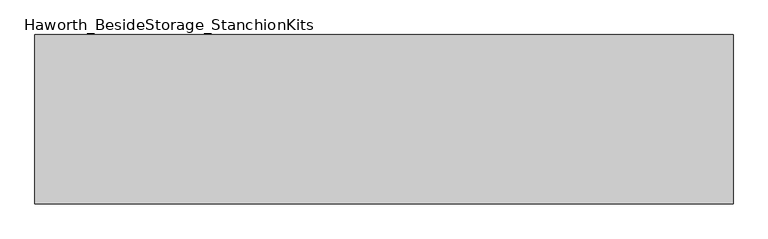
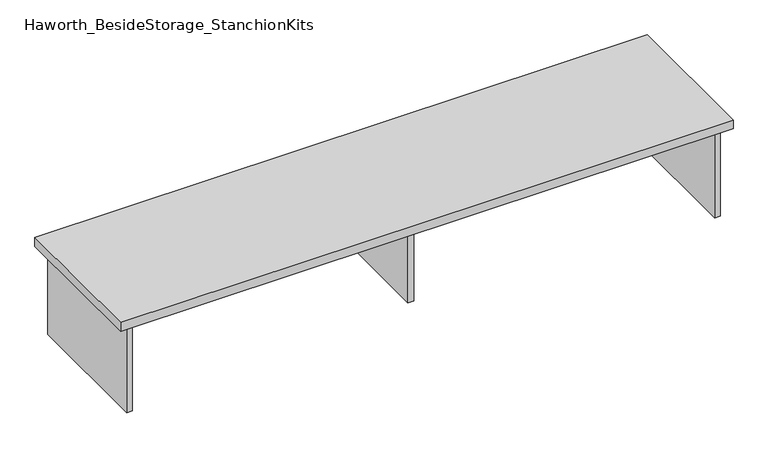
"""IFC4 building model written with IfcOpenShell, lengths in millimetres: furniture geometry, Haworth_BesideStorage_StanchionKits."""

from ifc_helpers import new_model, si_unit, frame, origin, place, context, project, spatial, polyline, outline, extrude, source, transform, mapped, element, save


def haworth_besidestorage_stanchionkits_8349de66(model_context):
    return source(origin(), model_context, "Body", "SweptSolid", [
        extrude(outline(polyline([(1000.125, 0.0), (1000.125, -406.4), (-676.275, -406.4), (-676.275, 0.0), (1000.125, 0.0)])), frame((0.0, 0.0, 685.8), z_axis=(0.0, 0.0, 1.0), x_axis=(1.0, 0.0, 0.0)), (0.0, 0.0, 1.0), 25.4),
        extrude(outline(polyline([(169.8625, -76.2), (958.85, -76.2), (958.85, -92.075), (169.8625, -92.075), (169.8625, -76.2)])), frame((0.0, 0.0, 431.8), z_axis=(0.0, 0.0, 1.0), x_axis=(1.0, 0.0, 0.0)), (0.0, 0.0, 1.0), 254.0),
        extrude(outline(polyline([(169.8625, -330.2), (153.9875, -330.2), (153.9875, -76.2), (169.8625, -76.2), (169.8625, -330.2)])), frame((0.0, 0.0, 431.8), z_axis=(0.0, 0.0, 1.0), x_axis=(1.0, 0.0, 0.0)), (0.0, 0.0, 1.0), 254.0),
        extrude(outline(polyline([(974.725, -390.525), (958.85, -390.525), (958.85, -15.875), (974.725, -15.875), (974.725, -390.525)])), frame((0.0, 0.0, 431.8), z_axis=(0.0, 0.0, 1.0), x_axis=(1.0, 0.0, 0.0)), (0.0, 0.0, 1.0), 254.0),
        extrude(outline(polyline([(-635.0, -390.525), (-650.875, -390.525), (-650.875, -15.875), (-635.0, -15.875), (-635.0, -390.525)])), frame((0.0, 0.0, 431.8), z_axis=(0.0, 0.0, 1.0), x_axis=(1.0, 0.0, 0.0)), (0.0, 0.0, 1.0), 254.0),
    ])


if __name__ == "__main__":
    model = new_model("IFC4")
    model_context = context("Model", 3, world=origin())
    ifc_project = project(units=[si_unit("LENGTHUNIT", "METRE", prefix="MILLI")], contexts=[model_context])
    site = spatial("IfcSite", under=ifc_project)
    building = spatial("IfcBuilding", under=site)
    placement = place(None, origin())
    haworth_besidestorage_stanchionkits_shape = haworth_besidestorage_stanchionkits_8349de66(model_context)
    element("IfcFurniture", 1, ObjectType="Haworth_BesideStorage_StanchionKits", at=placement, inside=building, context=model_context, shape_type="MappedRepresentation", body=[
        mapped(haworth_besidestorage_stanchionkits_shape, transform((0.0, 0.0, 0.0), x_axis=(1.0, 0.0, 0.0), y_axis=(0.0, 1.0, 0.0), z_axis=(0.0, 0.0, 1.0))),
    ])
    save(model, "model.ifc")
